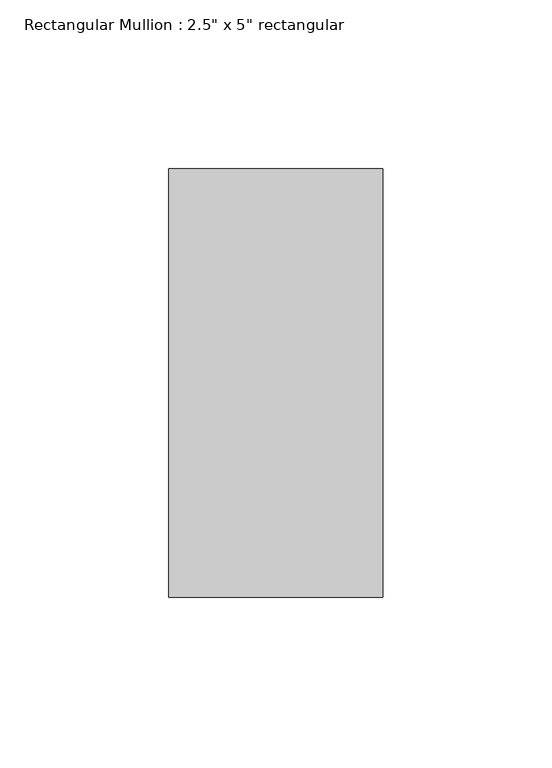
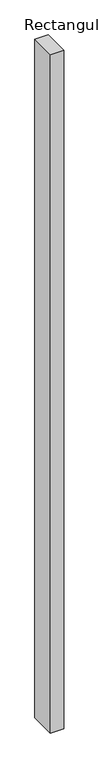
"""IFC4 building model written with IfcOpenShell, lengths in millimetres: member geometry."""

from ifc_helpers import new_model, si_unit, frame, origin, place, context, project, spatial, polyline, outline, extrude, source, transform, mapped, element, save


def member_2a51118c(model_context):
    return source(origin(), model_context, "Body", "SweptSolid", [
        extrude(outline(polyline([(31.75, 63.5), (31.75, -63.5), (-31.75, -63.5), (-31.75, 63.5), (31.75, 63.5)])), frame((0.0, 0.0, -3406.9915733), z_axis=(0.0, 0.0, 1.0), x_axis=(1.0, 0.0, 0.0)), (0.0, 0.0, 1.0), 3406.9915733),
    ])


if __name__ == "__main__":
    model = new_model("IFC4")
    model_context = context("Model", 3, world=origin())
    ifc_project = project(units=[si_unit("LENGTHUNIT", "METRE", prefix="MILLI")], contexts=[model_context])
    site = spatial("IfcSite", under=ifc_project)
    building = spatial("IfcBuilding", under=site)
    placement = place(None, origin())
    member_shape = member_2a51118c(model_context)
    element("IfcMember", 1, ObjectType="Rectangular Mullion : 2.5\" x 5\" rectangular", at=placement, inside=building, context=model_context, shape_type="MappedRepresentation", body=[
        mapped(member_shape, transform((0.0, 0.0, 0.0), x_axis=(1.0, 0.0, 0.0), y_axis=(0.0, 1.0, 0.0), z_axis=(0.0, 0.0, 1.0))),
    ])
    save(model, "model.ifc")
